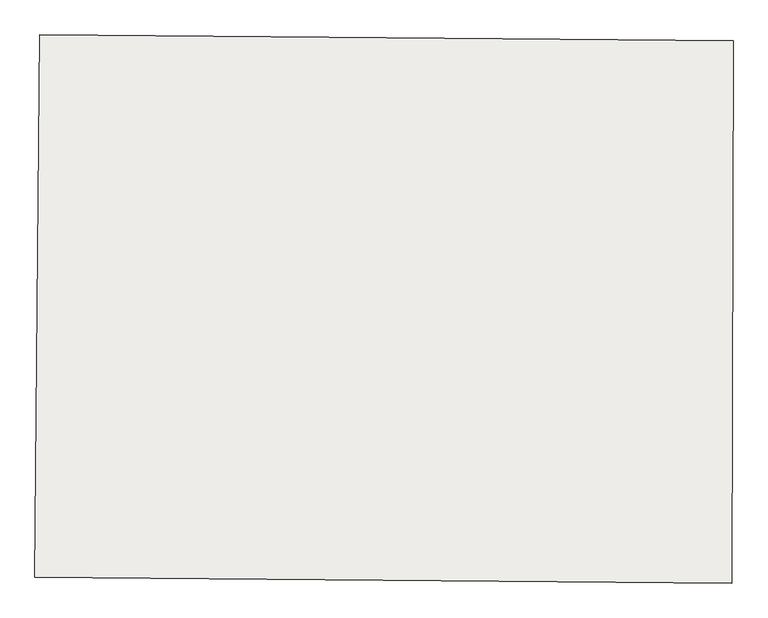
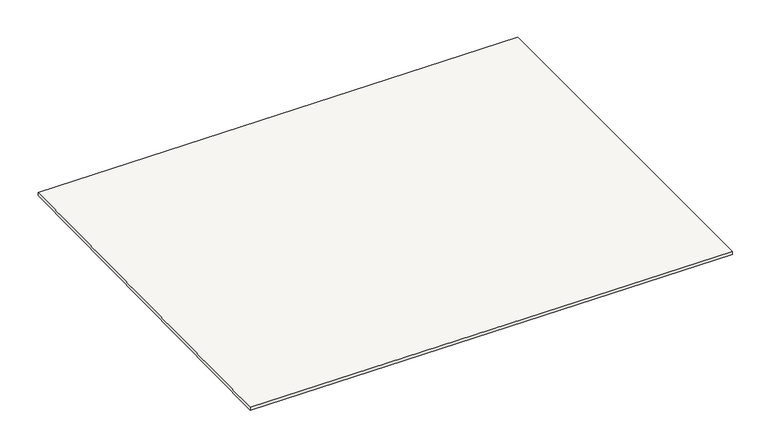
"""IFC4 building model written with IfcOpenShell, lengths in millimetres: slab geometry."""

from ifc_helpers import new_model, si_unit, frame, origin, place, context, project, spatial, polyline, outline, extrude, source, transform, mapped, element, save


def slab_6d2e84da(model_context):
    return source(origin(), model_context, "Body", "SweptSolid", [
        extrude(outline(polyline([(-138390.1876626, 83170.4130293), (-135320.2021153, 83143.6216713), (-135326.1691356, 80743.5823566), (-138411.1313478, 80770.5044139), (-138390.1876626, 83170.4130293)])), frame((0.0, 0.0, 11254.75), z_axis=(0.0, 0.0, 1.0), x_axis=(1.0, 0.0, 0.0)), (0.0, 0.0, 1.0), 20.0),
    ])


if __name__ == "__main__":
    model = new_model("IFC4")
    model_context = context("Model", 3, world=origin())
    ifc_project = project(units=[si_unit("LENGTHUNIT", "METRE", prefix="MILLI")], contexts=[model_context])
    site = spatial("IfcSite", under=ifc_project)
    building = spatial("IfcBuilding", under=site)
    placement = place(None, origin())
    slab_shape = slab_6d2e84da(model_context)
    element("IfcSlab", 1, at=placement, inside=building, context=model_context, shape_type="MappedRepresentation", body=[
        mapped(slab_shape, transform((0.0, 0.0, 0.0), x_axis=(1.0, 0.0, 0.0), y_axis=(0.0, 1.0, 0.0), z_axis=(0.0, 0.0, 1.0))),
    ])
    save(model, "model.ifc")
